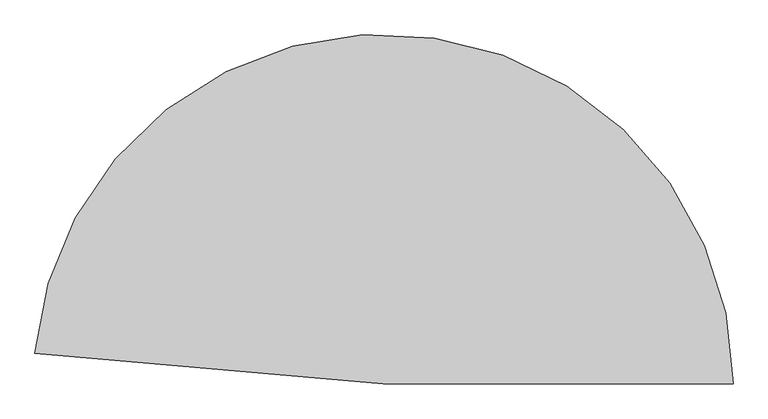
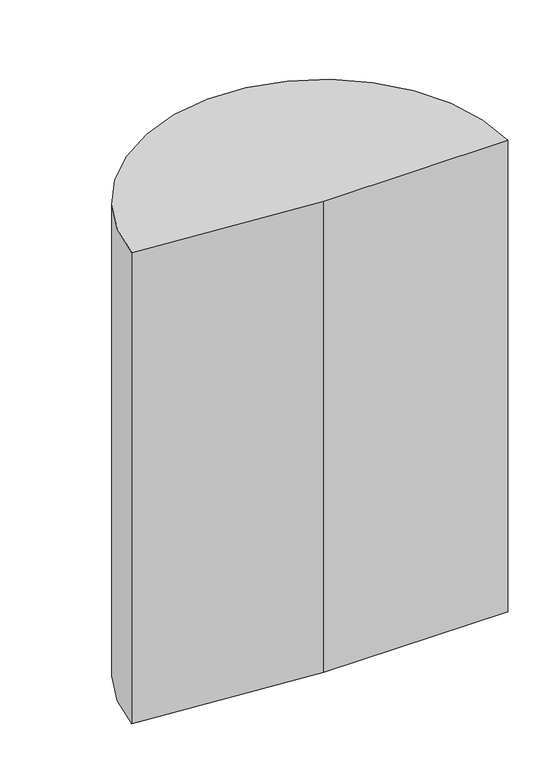
"""IFC4 building model written with IfcOpenShell, lengths in millimetres: proxy geometry."""

from ifc_helpers import new_model, si_unit, point, origin, origin_with_axes, origin_2d, place, context, project, spatial, polyline, circle_curve, trimmed, segment, composite_curve, outline, extrude, source, transform, mapped, element, save


def generic_models_58556289(model_context):
    return source(origin(), model_context, "Body", "SweptSolid", [
        extrude(outline(composite_curve([segment(polyline([(0.0, 0.0), (-882.6285025, 77.2199881)]), True, "CONTINUOUS"), segment(trimmed(circle_curve(origin_2d(), 886.0), [point((-882.6285025, 77.2199881))], [point((886.0, 0.0))], False, "CARTESIAN"), True, "CONTINUOUS"), segment(polyline([(886.0, 0.0), (0.0, 0.0)]), True, "CONTINUOUS")], self_intersect=False)), origin_with_axes(), (0.0, 0.0, 1.0), 2402.0),
    ])


if __name__ == "__main__":
    model = new_model("IFC4")
    model_context = context("Model", 3, world=origin())
    ifc_project = project(units=[si_unit("LENGTHUNIT", "METRE", prefix="MILLI")], contexts=[model_context])
    site = spatial("IfcSite", under=ifc_project)
    building = spatial("IfcBuilding", under=site)
    placement = place(None, origin())
    generic_models_shape = generic_models_58556289(model_context)
    element("IfcBuildingElementProxy", 1, Name="Generic Models", at=placement, inside=building, context=model_context, shape_type="MappedRepresentation", body=[
        mapped(generic_models_shape, transform((0.0, 0.0, 0.0), x_axis=(1.0, 0.0, 0.0), y_axis=(0.0, 1.0, 0.0), z_axis=(0.0, 0.0, 1.0))),
    ])
    save(model, "model.ifc")
